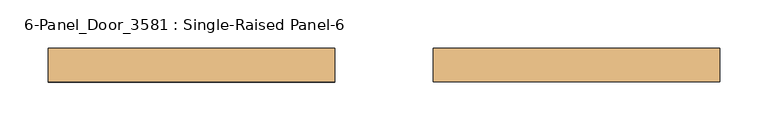
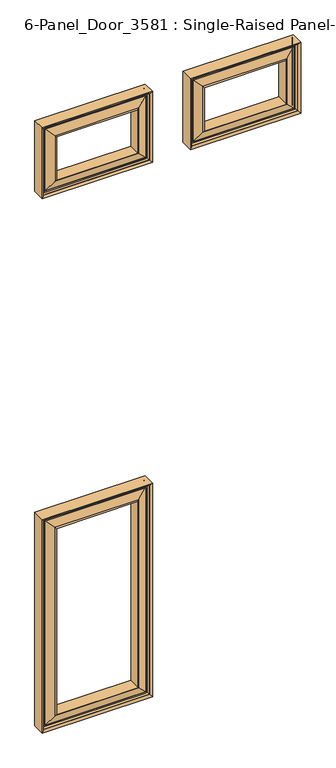
"""IFC4 building model written with IfcOpenShell, lengths in millimetres: door geometry, 6-Panel_Door_3581 : Single-Raised Panel-6."""

from ifc_helpers import new_model, si_unit, frame, origin, place, context, project, spatial, polyline, ellipse_curve, source, transform, mapped, element, save
from ifc_brep_helpers import plane_surface, cylinder_surface, revolved_surface, advanced_brep


def door_6_panel_door_3581_single_raised_panel_6_0ab2f568(model_context):
    return source(origin(), model_context, "Body", "AdvancedBrep", [
        advanced_brep(
        [(-346.075, 76.0029928, 209.55), (-50.8, 76.0029928, 209.55), (-50.8, 41.4748678, 209.55), (-346.075, 41.4748678, 209.55), (-341.3166359, 71.4389303, 214.3083641), (-55.5583641, 71.4389303, 214.3083641), (-336.55, 68.2639303, 219.075), (-60.325, 68.2639303, 219.075), (-57.15, 71.4389303, 215.9), (-339.725, 71.4389303, 215.9), (-333.375, 66.6613447, 222.25), (-63.5, 66.6613447, 222.25), (-63.5, 68.2639303, 222.25), (-333.375, 68.2639303, 222.25), (-310.8719233, 73.1060696, 244.7530767), (-86.0030767, 73.1060696, 244.7530767), (-307.975, 76.0029928, 247.65), (-88.9, 76.0029928, 247.65), (-307.975, 41.6733053, 247.65), (-88.9, 41.6733053, 247.65), (-310.5938465, 44.2921518, 245.0311535), (-86.2811535, 44.2921518, 245.0311535), (-333.375, 50.8165159, 222.25), (-63.5, 50.8165159, 222.25), (-333.375, 49.2139303, 222.25), (-63.5, 49.2139303, 222.25), (-339.725, 46.0389303, 215.9), (-57.15, 46.0389303, 215.9), (-60.325, 49.2139303, 219.075), (-336.55, 49.2139303, 219.075), (-55.5583641, 46.0389303, 214.3083641), (-341.3166359, 46.0389303, 214.3083641), (-50.8, 76.0029928, 812.8), (-50.8, 41.4748678, 812.8), (-55.5583641, 71.4389303, 808.0416359), (-60.325, 68.2639303, 803.275), (-57.15, 71.4389303, 806.45), (-63.5, 66.6613447, 800.1), (-63.5, 68.2639303, 800.1), (-86.0030767, 73.1060696, 777.5969233), (-88.9, 76.0029928, 774.7), (-88.9, 41.6733053, 774.7), (-86.2811535, 44.2921518, 777.3188465), (-63.5, 50.8165159, 800.1), (-63.5, 49.2139303, 800.1), (-57.15, 46.0389303, 806.45), (-60.325, 49.2139303, 803.275), (-55.5583641, 46.0389303, 808.0416359), (-346.075, 76.0029928, 812.8), (-346.075, 41.4748678, 812.8), (-341.3166359, 71.4389303, 808.0416359), (-336.55, 68.2639303, 803.275), (-339.725, 71.4389303, 806.45), (-333.375, 66.6613447, 800.1), (-333.375, 68.2639303, 800.1), (-310.8719233, 73.1060696, 777.5969233), (-307.975, 76.0029928, 774.7), (-307.975, 41.6733053, 774.7), (-310.5938465, 44.2921518, 777.3188465), (-333.375, 50.8165159, 800.1), (-333.375, 49.2139303, 800.1), (-339.725, 46.0389303, 806.45), (-336.55, 49.2139303, 803.275), (-341.3166359, 46.0389303, 808.0416359)],
        [
            (0, 1),
            (1, 2),
            (2, 3),
            (3, 0),
            (4, 5),
            (5, 1, ellipse_curve(frame((-50.8, 71.2404928, 209.55), z_axis=(-0.7071067811865481, 0.0, -0.7071067811865469), x_axis=(-0.7071067811865469, 0.0, 0.707106781186548)), 6.7351921, 4.7625)),
            (0, 4, ellipse_curve(frame((-346.075, 71.2404928, 209.55), z_axis=(0.7071067811865475, 0.0, -0.7071067811865476), x_axis=(-0.7071067811865475, 0.0, -0.7071067811865475)), 6.7351921, 4.7625)),
            (6, 7),
            (7, 8, ellipse_curve(frame((-60.325, 71.4389303, 219.075), z_axis=(0.7071067811865481, 0.0, 0.7071067811865469), x_axis=(0.7071067811865469, 0.0, -0.707106781186548)), 4.4901281, 3.175)),
            (8, 9),
            (9, 6, ellipse_curve(frame((-336.55, 71.4389303, 219.075), z_axis=(-0.7071067811865475, 0.0, 0.7071067811865476), x_axis=(0.7071067811865475, 0.0, 0.7071067811865475)), 4.4901281, 3.175)),
            (10, 11),
            (11, 12),
            (12, 13),
            (13, 10),
            (14, 15),
            (15, 11),
            (10, 14),
            (16, 17),
            (17, 15),
            (14, 16),
            (18, 19),
            (19, 17),
            (16, 18),
            (20, 21),
            (21, 19),
            (18, 20),
            (22, 23),
            (23, 21),
            (20, 22),
            (24, 25),
            (25, 23),
            (22, 24),
            (26, 27),
            (27, 28, ellipse_curve(frame((-60.325, 46.0389303, 219.075), z_axis=(0.7071067811865481, 0.0, 0.7071067811865469), x_axis=(0.7071067811865469, 0.0, -0.707106781186548)), 4.4901281, 3.175)),
            (28, 29),
            (29, 26, ellipse_curve(frame((-336.55, 46.0389303, 219.075), z_axis=(-0.7071067811865475, 0.0, 0.7071067811865476), x_axis=(0.7071067811865475, 0.0, 0.7071067811865475)), 4.4901281, 3.175)),
            (2, 30, ellipse_curve(frame((-50.8, 46.2373678, 209.55), z_axis=(-0.7071067811865481, 0.0, -0.7071067811865469), x_axis=(-0.7071067811865469, 0.0, 0.707106781186548)), 6.7351921, 4.7625)),
            (30, 31),
            (31, 3, ellipse_curve(frame((-346.075, 46.2373678, 209.55), z_axis=(0.7071067811865475, 0.0, -0.7071067811865476), x_axis=(-0.7071067811865475, 0.0, -0.7071067811865475)), 6.7351921, 4.7625)),
            (1, 32),
            (32, 33),
            (33, 2),
            (5, 34),
            (34, 32, ellipse_curve(frame((-50.8, 71.2404928, 812.8), z_axis=(0.7071067811865469, 0.0, -0.7071067811865481), x_axis=(-0.707106781186548, 0.0, -0.7071067811865469)), 6.7351921, 4.7625)),
            (7, 35),
            (35, 36, ellipse_curve(frame((-60.325, 71.4389303, 803.275), z_axis=(-0.7071067811865469, 0.0, 0.7071067811865481), x_axis=(0.707106781186548, 0.0, 0.7071067811865469)), 4.4901281, 3.175)),
            (36, 8),
            (11, 37),
            (37, 38),
            (38, 12),
            (15, 39),
            (39, 37),
            (17, 40),
            (40, 39),
            (19, 41),
            (41, 40),
            (21, 42),
            (42, 41),
            (23, 43),
            (43, 42),
            (25, 44),
            (44, 43),
            (27, 45),
            (45, 46, ellipse_curve(frame((-60.325, 46.0389303, 803.275), z_axis=(-0.7071067811865469, 0.0, 0.7071067811865481), x_axis=(0.707106781186548, 0.0, 0.7071067811865469)), 4.4901281, 3.175)),
            (46, 28),
            (33, 47, ellipse_curve(frame((-50.8, 46.2373678, 812.8), z_axis=(0.7071067811865469, 0.0, -0.7071067811865481), x_axis=(-0.707106781186548, 0.0, -0.7071067811865469)), 6.7351921, 4.7625)),
            (47, 30),
            (32, 48),
            (48, 49),
            (49, 33),
            (34, 50),
            (50, 48, ellipse_curve(frame((-346.075, 71.2404928, 812.8), z_axis=(0.7071067811865476, 0.0, 0.7071067811865475), x_axis=(0.7071067811865475, 0.0, -0.7071067811865475)), 6.7351921, 4.7625)),
            (35, 51),
            (51, 52, ellipse_curve(frame((-336.55, 71.4389303, 803.275), z_axis=(-0.7071067811865476, 0.0, -0.7071067811865475), x_axis=(-0.7071067811865475, 0.0, 0.7071067811865475)), 4.4901281, 3.175)),
            (52, 36),
            (37, 53),
            (53, 54),
            (54, 38),
            (39, 55),
            (55, 53),
            (40, 56),
            (56, 55),
            (41, 57),
            (57, 56),
            (42, 58),
            (58, 57),
            (43, 59),
            (59, 58),
            (44, 60),
            (60, 59),
            (45, 61),
            (61, 62, ellipse_curve(frame((-336.55, 46.0389303, 803.275), z_axis=(-0.7071067811865476, 0.0, -0.7071067811865475), x_axis=(-0.7071067811865475, 0.0, 0.7071067811865475)), 4.4901281, 3.175)),
            (62, 46),
            (49, 63, ellipse_curve(frame((-346.075, 46.2373678, 812.8), z_axis=(0.7071067811865476, 0.0, 0.7071067811865475), x_axis=(0.7071067811865475, 0.0, -0.7071067811865475)), 6.7351921, 4.7625)),
            (63, 47),
            (48, 0),
            (3, 49),
            (50, 4),
            (52, 9),
            (51, 6),
            (54, 13),
            (53, 10),
            (55, 14),
            (56, 16),
            (57, 18),
            (58, 20),
            (59, 22),
            (60, 24),
            (62, 29),
            (61, 26),
            (63, 31),
        ],
        [
            plane_surface(frame((-346.075, 41.4748678, 209.55), z_axis=(0.0, 0.0, -1.0), x_axis=(1.0, 0.0, 0.0))),
            cylinder_surface(frame((-346.075, 71.2404928, 209.55), z_axis=(-1.0, 0.0, 0.0), x_axis=(0.0, 1.0, 0.0)), 4.7625),
            revolved_surface(polyline([(-57.149999972093724, 74.61393029999999, 219.075), (-339.7250000279063, 74.61393029999999, 219.075)]), (-346.075, 71.4389303, 219.075), (1.0, 0.0, 0.0)),
            plane_surface(frame((-333.375, 68.2639303, 222.25), z_axis=(0.0, 0.0, 1.0), x_axis=(1.0, 0.0, 0.0))),
            plane_surface(frame((-333.375, 66.6613447, 222.25), z_axis=(0.0, 0.9613513906237952, -0.2753243609739161), x_axis=(1.0, 0.0, 0.0))),
            plane_surface(frame((-310.8719233, 73.1060696, 244.7530767), z_axis=(0.0, 0.7071067811921127, -0.7071067811809825), x_axis=(1.0, 0.0, 0.0))),
            plane_surface(frame((-307.975, 76.0029928, 247.65), z_axis=(0.0, 0.0, 1.0), x_axis=(1.0, 0.0, 0.0))),
            plane_surface(frame((-307.975, 41.6733053, 247.65), z_axis=(0.0, -0.7071067811865441, -0.707106781186551), x_axis=(1.0, 0.0, 0.0))),
            plane_surface(frame((-310.5938465, 44.2921518, 245.0311535), z_axis=(0.0, -0.9613513906239465, -0.2753243609733877), x_axis=(1.0, 0.0, 0.0))),
            plane_surface(frame((-333.375, 50.8165159, 222.25), z_axis=(0.0, 0.0, 1.0), x_axis=(1.0, 0.0, 0.0))),
            revolved_surface(polyline([(-57.149999972093724, 49.213930299999994, 219.075), (-339.7250000279063, 49.213930299999994, 219.075)]), (-346.075, 46.0389303, 219.075), (1.0, 0.0, 0.0)),
            cylinder_surface(frame((-346.075, 46.2373678, 209.55), z_axis=(-1.0, 0.0, 0.0), x_axis=(0.0, 1.0, 0.0)), 4.7625),
            plane_surface(frame((-50.8, 41.4748678, 209.55), z_axis=(1.0, 0.0, 0.0), x_axis=(0.0, 0.0, 1.0))),
            cylinder_surface(frame((-50.8, 71.2404928, 209.55), z_axis=(0.0, 0.0, -1.0), x_axis=(0.0, 1.0, 0.0)), 4.7625),
            revolved_surface(polyline([(-60.325, 74.61393029999999, 806.4500000279063), (-60.325, 74.61393029999999, 215.89999997209372)]), (-60.325, 71.4389303, 209.55), (0.0, 0.0, 1.0)),
            plane_surface(frame((-63.5, 68.2639303, 222.25), z_axis=(-1.0, 0.0, 0.0), x_axis=(0.0, 0.0, 1.0))),
            plane_surface(frame((-63.5, 66.6613447, 222.25), z_axis=(0.2753243609739161, 0.9613513906237952, 0.0), x_axis=(0.0, 0.0, 1.0))),
            plane_surface(frame((-86.0030767, 73.1060696, 244.7530767), z_axis=(0.7071067811809825, 0.7071067811921127, 0.0), x_axis=(0.0, 0.0, 1.0))),
            plane_surface(frame((-88.9, 76.0029928, 247.65), z_axis=(-1.0, 0.0, 0.0), x_axis=(0.0, 0.0, 1.0))),
            plane_surface(frame((-88.9, 41.6733053, 247.65), z_axis=(0.707106781186551, -0.7071067811865441, 0.0), x_axis=(0.0, 0.0, 1.0))),
            plane_surface(frame((-86.2811535, 44.2921518, 245.0311535), z_axis=(0.2753243609733877, -0.9613513906239465, 0.0), x_axis=(0.0, 0.0, 1.0))),
            plane_surface(frame((-63.5, 50.8165159, 222.25), z_axis=(-1.0, 0.0, 0.0), x_axis=(0.0, 0.0, 1.0))),
            revolved_surface(polyline([(-60.325, 49.213930299999994, 806.4500000279063), (-60.325, 49.213930299999994, 215.89999997209372)]), (-60.325, 46.0389303, 209.55), (0.0, 0.0, 1.0)),
            cylinder_surface(frame((-50.8, 46.2373678, 209.55), z_axis=(0.0, 0.0, -1.0), x_axis=(0.0, 1.0, 0.0)), 4.7625),
            plane_surface(frame((-50.8, 41.4748678, 812.8), z_axis=(0.0, 0.0, 1.0), x_axis=(-1.0, 0.0, 0.0))),
            cylinder_surface(frame((-50.8, 71.2404928, 812.8), z_axis=(1.0, 0.0, 0.0), x_axis=(0.0, 1.0, 0.0)), 4.7625),
            revolved_surface(polyline([(-339.7250000279063, 74.61393029999999, 803.275), (-57.14999997209373, 74.61393029999999, 803.275)]), (-50.8, 71.4389303, 803.275), (-1.0, 0.0, 0.0)),
            plane_surface(frame((-63.5, 68.2639303, 800.1), z_axis=(0.0, 0.0, -1.0), x_axis=(-1.0, 0.0, 0.0))),
            plane_surface(frame((-63.5, 66.6613447, 800.1), z_axis=(0.0, 0.9613513906237952, 0.2753243609739161), x_axis=(-1.0, 0.0, 0.0))),
            plane_surface(frame((-86.0030767, 73.1060696, 777.5969233), z_axis=(0.0, 0.7071067811921127, 0.7071067811809825), x_axis=(-1.0, 0.0, 0.0))),
            plane_surface(frame((-88.9, 76.0029928, 774.7), z_axis=(0.0, 0.0, -1.0), x_axis=(-1.0, 0.0, 0.0))),
            plane_surface(frame((-88.9, 41.6733053, 774.7), z_axis=(0.0, -0.7071067811865441, 0.707106781186551), x_axis=(-1.0, 0.0, 0.0))),
            plane_surface(frame((-86.2811535, 44.2921518, 777.3188465), z_axis=(0.0, -0.9613513906239465, 0.2753243609733877), x_axis=(-1.0, 0.0, 0.0))),
            plane_surface(frame((-63.5, 50.8165159, 800.1), z_axis=(0.0, 0.0, -1.0), x_axis=(-1.0, 0.0, 0.0))),
            revolved_surface(polyline([(-339.7250000279063, 49.213930299999994, 803.275), (-57.14999997209373, 49.213930299999994, 803.275)]), (-50.8, 46.0389303, 803.275), (-1.0, 0.0, 0.0)),
            cylinder_surface(frame((-50.8, 46.2373678, 812.8), z_axis=(1.0, 0.0, 0.0), x_axis=(0.0, 1.0, 0.0)), 4.7625),
            plane_surface(frame((-346.075, 41.4748678, 812.8), z_axis=(-1.0, 0.0, 0.0), x_axis=(0.0, 0.0, -1.0))),
            cylinder_surface(frame((-346.075, 71.2404928, 812.8), z_axis=(0.0, 0.0, 1.0), x_axis=(0.0, 1.0, 0.0)), 4.7625),
            plane_surface(frame((-341.3166359, 71.4389303, 808.0416359), z_axis=(0.0, 1.0, 0.0), x_axis=(0.0, 0.0, -1.0))),
            revolved_surface(polyline([(-336.55, 74.61393029999999, 215.89999997209372), (-336.55, 74.61393029999999, 806.4500000279063)]), (-336.55, 71.4389303, 812.8), (0.0, 0.0, -1.0)),
            plane_surface(frame((-336.55, 68.2639303, 803.275), z_axis=(0.0, 1.0, 0.0), x_axis=(0.0, 0.0, -1.0))),
            plane_surface(frame((-333.375, 68.2639303, 800.1), z_axis=(1.0, 0.0, 0.0), x_axis=(0.0, 0.0, -1.0))),
            plane_surface(frame((-333.375, 66.6613447, 800.1), z_axis=(-0.2753243609739161, 0.9613513906237952, 0.0), x_axis=(0.0, 0.0, -1.0))),
            plane_surface(frame((-310.8719233, 73.1060696, 777.5969233), z_axis=(-0.7071067811809825, 0.7071067811921127, 0.0), x_axis=(0.0, 0.0, -1.0))),
            plane_surface(frame((-307.975, 76.0029928, 774.7), z_axis=(1.0, 0.0, 0.0), x_axis=(0.0, 0.0, -1.0))),
            plane_surface(frame((-307.975, 41.6733053, 774.7), z_axis=(-0.707106781186551, -0.7071067811865441, 0.0), x_axis=(0.0, 0.0, -1.0))),
            plane_surface(frame((-310.5938465, 44.2921518, 777.3188465), z_axis=(-0.2753243609733877, -0.9613513906239465, 0.0), x_axis=(0.0, 0.0, -1.0))),
            plane_surface(frame((-333.375, 50.8165159, 800.1), z_axis=(1.0, 0.0, 0.0), x_axis=(0.0, 0.0, -1.0))),
            plane_surface(frame((-333.375, 49.2139303, 800.1), z_axis=(0.0, -1.0, 0.0), x_axis=(0.0, 0.0, -1.0))),
            revolved_surface(polyline([(-336.55, 49.213930299999994, 215.89999997209372), (-336.55, 49.213930299999994, 806.4500000279063)]), (-336.55, 46.0389303, 812.8), (0.0, 0.0, -1.0)),
            plane_surface(frame((-339.725, 46.0389303, 806.45), z_axis=(0.0, -1.0, 0.0), x_axis=(0.0, 0.0, -1.0))),
            cylinder_surface(frame((-346.075, 46.2373678, 812.8), z_axis=(0.0, 0.0, 1.0), x_axis=(0.0, 1.0, 0.0)), 4.7625),
        ],
        [
            (0, [[1, 2, 3, 4]]),
            (1, [[5, 6, -1, 7]]),
            (2, [[8, 9, 10, 11]]),
            (3, [[12, 13, 14, 15]]),
            (4, [[16, 17, -12, 18]]),
            (5, [[19, 20, -16, 21]]),
            (6, [[22, 23, -19, 24]]),
            (7, [[25, 26, -22, 27]]),
            (8, [[28, 29, -25, 30]]),
            (9, [[31, 32, -28, 33]]),
            (10, [[34, 35, 36, 37]]),
            (11, [[-3, 38, 39, 40]]),
            (12, [[41, 42, 43, -2]]),
            (13, [[44, 45, -41, -6]]),
            (14, [[46, 47, 48, -9]]),
            (15, [[49, 50, 51, -13]]),
            (16, [[52, 53, -49, -17]]),
            (17, [[54, 55, -52, -20]]),
            (18, [[56, 57, -54, -23]]),
            (19, [[58, 59, -56, -26]]),
            (20, [[60, 61, -58, -29]]),
            (21, [[62, 63, -60, -32]]),
            (22, [[64, 65, 66, -35]]),
            (23, [[-43, 67, 68, -38]]),
            (24, [[69, 70, 71, -42]]),
            (25, [[72, 73, -69, -45]]),
            (26, [[74, 75, 76, -47]]),
            (27, [[77, 78, 79, -50]]),
            (28, [[80, 81, -77, -53]]),
            (29, [[82, 83, -80, -55]]),
            (30, [[84, 85, -82, -57]]),
            (31, [[86, 87, -84, -59]]),
            (32, [[88, 89, -86, -61]]),
            (33, [[90, 91, -88, -63]]),
            (34, [[92, 93, 94, -65]]),
            (35, [[-71, 95, 96, -67]]),
            (36, [[97, -4, 98, -70]]),
            (37, [[99, -7, -97, -73]]),
            (38, [[-5, -99, -72, -44], [-10, -48, -76, 100]]),
            (39, [[101, -11, -100, -75]]),
            (40, [[-8, -101, -74, -46], [-14, -51, -79, 102]]),
            (41, [[103, -15, -102, -78]]),
            (42, [[104, -18, -103, -81]]),
            (43, [[105, -21, -104, -83]]),
            (44, [[106, -24, -105, -85]]),
            (45, [[107, -27, -106, -87]]),
            (46, [[108, -30, -107, -89]]),
            (47, [[109, -33, -108, -91]]),
            (48, [[-36, -66, -94, 110], [-31, -109, -90, -62]]),
            (49, [[111, -37, -110, -93]]),
            (50, [[-39, -68, -96, 112], [-34, -111, -92, -64]]),
            (51, [[-98, -40, -112, -95]]),
        ],
    ),
        advanced_brep(
        [(50.8, 76.0029928, 1720.85), (346.075, 76.0029928, 1720.85), (346.075, 41.4748678, 1720.85), (50.8, 41.4748678, 1720.85), (55.5583641, 71.4389303, 1725.6083641), (341.3166359, 71.4389303, 1725.6083641), (60.325, 68.2639303, 1730.375), (336.55, 68.2639303, 1730.375), (339.725, 71.4389303, 1727.2), (57.15, 71.4389303, 1727.2), (63.5, 66.6613447, 1733.55), (333.375, 66.6613447, 1733.55), (333.375, 68.2639303, 1733.55), (63.5, 68.2639303, 1733.55), (86.0030767, 73.1060696, 1756.0530767), (310.8719233, 73.1060696, 1756.0530767), (88.9, 76.0029928, 1758.95), (307.975, 76.0029928, 1758.95), (88.9, 41.6733053, 1758.95), (307.975, 41.6733053, 1758.95), (86.2811535, 44.2921518, 1756.3311535), (310.5938465, 44.2921518, 1756.3311535), (63.5, 50.8165159, 1733.55), (333.375, 50.8165159, 1733.55), (63.5, 49.2139303, 1733.55), (333.375, 49.2139303, 1733.55), (57.15, 46.0389303, 1727.2), (339.725, 46.0389303, 1727.2), (336.55, 49.2139303, 1730.375), (60.325, 49.2139303, 1730.375), (341.3166359, 46.0389303, 1725.6083641), (55.5583641, 46.0389303, 1725.6083641), (346.075, 76.0029928, 1920.875), (346.075, 41.4748678, 1920.875), (341.3166359, 71.4389303, 1916.1166359), (336.55, 68.2639303, 1911.35), (339.725, 71.4389303, 1914.525), (333.375, 66.6613447, 1908.175), (333.375, 68.2639303, 1908.175), (310.8719233, 73.1060696, 1885.6719233), (307.975, 76.0029928, 1882.775), (307.975, 41.6733053, 1882.775), (310.5938465, 44.2921518, 1885.3938465), (333.375, 50.8165159, 1908.175), (333.375, 49.2139303, 1908.175), (339.725, 46.0389303, 1914.525), (336.55, 49.2139303, 1911.35), (341.3166359, 46.0389303, 1916.1166359), (50.8, 76.0029928, 1920.875), (50.8, 41.4748678, 1920.875), (55.5583641, 71.4389303, 1916.1166359), (60.325, 68.2639303, 1911.35), (57.15, 71.4389303, 1914.525), (63.5, 66.6613447, 1908.175), (63.5, 68.2639303, 1908.175), (86.0030767, 73.1060696, 1885.6719233), (88.9, 76.0029928, 1882.775), (88.9, 41.6733053, 1882.775), (86.2811535, 44.2921518, 1885.3938465), (63.5, 50.8165159, 1908.175), (63.5, 49.2139303, 1908.175), (57.15, 46.0389303, 1914.525), (60.325, 49.2139303, 1911.35), (55.5583641, 46.0389303, 1916.1166359)],
        [
            (0, 1),
            (1, 2),
            (2, 3),
            (3, 0),
            (4, 5),
            (5, 1, ellipse_curve(frame((346.075, 71.2404928, 1720.85), z_axis=(-0.7071067811865475, 0.0, -0.7071067811865475), x_axis=(-0.7071067811865476, 0.0, 0.7071067811865474)), 6.7351921, 4.7625)),
            (0, 4, ellipse_curve(frame((50.8, 71.2404928, 1720.85), z_axis=(0.7071067811865475, 0.0, -0.7071067811865475), x_axis=(-0.7071067811865476, 0.0, -0.7071067811865474)), 6.7351921, 4.7625)),
            (6, 7),
            (7, 8, ellipse_curve(frame((336.55, 71.4389303, 1730.375), z_axis=(0.7071067811865475, 0.0, 0.7071067811865475), x_axis=(0.7071067811865476, 0.0, -0.7071067811865474)), 4.4901281, 3.175)),
            (8, 9),
            (9, 6, ellipse_curve(frame((60.325, 71.4389303, 1730.375), z_axis=(-0.7071067811865475, 0.0, 0.7071067811865475), x_axis=(0.7071067811865476, 0.0, 0.7071067811865474)), 4.4901281, 3.175)),
            (10, 11),
            (11, 12),
            (12, 13),
            (13, 10),
            (14, 15),
            (15, 11),
            (10, 14),
            (16, 17),
            (17, 15),
            (14, 16),
            (18, 19),
            (19, 17),
            (16, 18),
            (20, 21),
            (21, 19),
            (18, 20),
            (22, 23),
            (23, 21),
            (20, 22),
            (24, 25),
            (25, 23),
            (22, 24),
            (26, 27),
            (27, 28, ellipse_curve(frame((336.55, 46.0389303, 1730.375), z_axis=(0.7071067811865475, 0.0, 0.7071067811865475), x_axis=(0.7071067811865476, 0.0, -0.7071067811865474)), 4.4901281, 3.175)),
            (28, 29),
            (29, 26, ellipse_curve(frame((60.325, 46.0389303, 1730.375), z_axis=(-0.7071067811865475, 0.0, 0.7071067811865475), x_axis=(0.7071067811865476, 0.0, 0.7071067811865474)), 4.4901281, 3.175)),
            (2, 30, ellipse_curve(frame((346.075, 46.2373678, 1720.85), z_axis=(-0.7071067811865475, 0.0, -0.7071067811865475), x_axis=(-0.7071067811865476, 0.0, 0.7071067811865474)), 6.7351921, 4.7625)),
            (30, 31),
            (31, 3, ellipse_curve(frame((50.8, 46.2373678, 1720.85), z_axis=(0.7071067811865475, 0.0, -0.7071067811865475), x_axis=(-0.7071067811865476, 0.0, -0.7071067811865474)), 6.7351921, 4.7625)),
            (1, 32),
            (32, 33),
            (33, 2),
            (5, 34),
            (34, 32, ellipse_curve(frame((346.075, 71.2404928, 1920.875), z_axis=(0.7071067811865475, 0.0, -0.7071067811865475), x_axis=(-0.7071067811865474, 0.0, -0.7071067811865476)), 6.7351921, 4.7625)),
            (7, 35),
            (35, 36, ellipse_curve(frame((336.55, 71.4389303, 1911.35), z_axis=(-0.7071067811865475, 0.0, 0.7071067811865475), x_axis=(0.7071067811865474, 0.0, 0.7071067811865476)), 4.4901281, 3.175)),
            (36, 8),
            (11, 37),
            (37, 38),
            (38, 12),
            (15, 39),
            (39, 37),
            (17, 40),
            (40, 39),
            (19, 41),
            (41, 40),
            (21, 42),
            (42, 41),
            (23, 43),
            (43, 42),
            (25, 44),
            (44, 43),
            (27, 45),
            (45, 46, ellipse_curve(frame((336.55, 46.0389303, 1911.35), z_axis=(-0.7071067811865475, 0.0, 0.7071067811865475), x_axis=(0.7071067811865474, 0.0, 0.7071067811865476)), 4.4901281, 3.175)),
            (46, 28),
            (33, 47, ellipse_curve(frame((346.075, 46.2373678, 1920.875), z_axis=(0.7071067811865475, 0.0, -0.7071067811865475), x_axis=(-0.7071067811865474, 0.0, -0.7071067811865476)), 6.7351921, 4.7625)),
            (47, 30),
            (32, 48),
            (48, 49),
            (49, 33),
            (34, 50),
            (50, 48, ellipse_curve(frame((50.8, 71.2404928, 1920.875), z_axis=(0.7071067811865475, 0.0, 0.7071067811865475), x_axis=(0.7071067811865476, 0.0, -0.7071067811865474)), 6.7351921, 4.7625)),
            (35, 51),
            (51, 52, ellipse_curve(frame((60.325, 71.4389303, 1911.35), z_axis=(-0.7071067811865475, 0.0, -0.7071067811865475), x_axis=(-0.7071067811865476, 0.0, 0.7071067811865474)), 4.4901281, 3.175)),
            (52, 36),
            (37, 53),
            (53, 54),
            (54, 38),
            (39, 55),
            (55, 53),
            (40, 56),
            (56, 55),
            (41, 57),
            (57, 56),
            (42, 58),
            (58, 57),
            (43, 59),
            (59, 58),
            (44, 60),
            (60, 59),
            (45, 61),
            (61, 62, ellipse_curve(frame((60.325, 46.0389303, 1911.35), z_axis=(-0.7071067811865475, 0.0, -0.7071067811865475), x_axis=(-0.7071067811865476, 0.0, 0.7071067811865474)), 4.4901281, 3.175)),
            (62, 46),
            (49, 63, ellipse_curve(frame((50.8, 46.2373678, 1920.875), z_axis=(0.7071067811865475, 0.0, 0.7071067811865475), x_axis=(0.7071067811865476, 0.0, -0.7071067811865474)), 6.7351921, 4.7625)),
            (63, 47),
            (48, 0),
            (3, 49),
            (50, 4),
            (52, 9),
            (51, 6),
            (54, 13),
            (53, 10),
            (55, 14),
            (56, 16),
            (57, 18),
            (58, 20),
            (59, 22),
            (60, 24),
            (62, 29),
            (61, 26),
            (63, 31),
        ],
        [
            plane_surface(frame((50.8, 41.4748678, 1720.85), z_axis=(0.0, 0.0, -1.0), x_axis=(1.0, 0.0, 0.0))),
            cylinder_surface(frame((50.8, 71.2404928, 1720.85), z_axis=(-1.0, 0.0, 0.0), x_axis=(0.0, 1.0, 0.0)), 4.7625),
            revolved_surface(polyline([(339.7250000279063, 74.61393029999999, 1730.375), (57.14999997209374, 74.61393029999999, 1730.375)]), (50.8, 71.4389303, 1730.375), (1.0, 0.0, 0.0)),
            plane_surface(frame((63.5, 68.2639303, 1733.55), z_axis=(0.0, 0.0, 1.0), x_axis=(1.0, 0.0, 0.0))),
            plane_surface(frame((63.5, 66.6613447, 1733.55), z_axis=(0.0, 0.9613513906239444, -0.27532436097339497), x_axis=(1.0, 0.0, 0.0))),
            plane_surface(frame((86.0030767, 73.1060696, 1756.0530767), z_axis=(0.0, 0.7071067811865517, -0.7071067811865435), x_axis=(1.0, 0.0, 0.0))),
            plane_surface(frame((88.9, 76.0029928, 1758.95), z_axis=(0.0, 0.0, 1.0), x_axis=(1.0, 0.0, 0.0))),
            plane_surface(frame((88.9, 41.6733053, 1758.95), z_axis=(0.0, -0.7071067811865452, -0.7071067811865498), x_axis=(1.0, 0.0, 0.0))),
            plane_surface(frame((86.2811535, 44.2921518, 1756.3311535), z_axis=(0.0, -0.9613513906239086, -0.27532436097352025), x_axis=(1.0, 0.0, 0.0))),
            plane_surface(frame((63.5, 50.8165159, 1733.55), z_axis=(0.0, 0.0, 1.0), x_axis=(1.0, 0.0, 0.0))),
            revolved_surface(polyline([(339.7250000279063, 49.213930299999994, 1730.375), (57.14999997209374, 49.213930299999994, 1730.375)]), (50.8, 46.0389303, 1730.375), (1.0, 0.0, 0.0)),
            cylinder_surface(frame((50.8, 46.2373678, 1720.85), z_axis=(-1.0, 0.0, 0.0), x_axis=(0.0, 1.0, 0.0)), 4.7625),
            plane_surface(frame((346.075, 41.4748678, 1720.85), z_axis=(1.0, 0.0, 0.0), x_axis=(0.0, 0.0, 1.0))),
            cylinder_surface(frame((346.075, 71.2404928, 1720.85), z_axis=(0.0, 0.0, -1.0), x_axis=(0.0, 1.0, 0.0)), 4.7625),
            revolved_surface(polyline([(336.55, 74.61393029999999, 1914.5250000279061), (336.55, 74.61393029999999, 1727.1999999720938)]), (336.55, 71.4389303, 1720.85), (0.0, 0.0, 1.0)),
            plane_surface(frame((333.375, 68.2639303, 1733.55), z_axis=(-1.0, 0.0, 0.0), x_axis=(0.0, 0.0, 1.0))),
            plane_surface(frame((333.375, 66.6613447, 1733.55), z_axis=(0.27532436097339497, 0.9613513906239444, 0.0), x_axis=(0.0, 0.0, 1.0))),
            plane_surface(frame((310.8719233, 73.1060696, 1756.0530767), z_axis=(0.7071067811865435, 0.7071067811865517, 0.0), x_axis=(0.0, 0.0, 1.0))),
            plane_surface(frame((307.975, 76.0029928, 1758.95), z_axis=(-1.0, 0.0, 0.0), x_axis=(0.0, 0.0, 1.0))),
            plane_surface(frame((307.975, 41.6733053, 1758.95), z_axis=(0.7071067811865498, -0.7071067811865452, 0.0), x_axis=(0.0, 0.0, 1.0))),
            plane_surface(frame((310.5938465, 44.2921518, 1756.3311535), z_axis=(0.27532436097352025, -0.9613513906239086, 0.0), x_axis=(0.0, 0.0, 1.0))),
            plane_surface(frame((333.375, 50.8165159, 1733.55), z_axis=(-1.0, 0.0, 0.0), x_axis=(0.0, 0.0, 1.0))),
            revolved_surface(polyline([(336.55, 49.213930299999994, 1914.5250000279061), (336.55, 49.213930299999994, 1727.1999999720938)]), (336.55, 46.0389303, 1720.85), (0.0, 0.0, 1.0)),
            cylinder_surface(frame((346.075, 46.2373678, 1720.85), z_axis=(0.0, 0.0, -1.0), x_axis=(0.0, 1.0, 0.0)), 4.7625),
            plane_surface(frame((346.075, 41.4748678, 1920.875), z_axis=(0.0, 0.0, 1.0), x_axis=(-1.0, 0.0, 0.0))),
            cylinder_surface(frame((346.075, 71.2404928, 1920.875), z_axis=(1.0, 0.0, 0.0), x_axis=(0.0, 1.0, 0.0)), 4.7625),
            revolved_surface(polyline([(57.149999972093724, 74.61393029999999, 1911.35), (339.7250000279063, 74.61393029999999, 1911.35)]), (346.075, 71.4389303, 1911.35), (-1.0, 0.0, 0.0)),
            plane_surface(frame((333.375, 68.2639303, 1908.175), z_axis=(0.0, 0.0, -1.0), x_axis=(-1.0, 0.0, 0.0))),
            plane_surface(frame((333.375, 66.6613447, 1908.175), z_axis=(0.0, 0.9613513906239444, 0.27532436097339497), x_axis=(-1.0, 0.0, 0.0))),
            plane_surface(frame((310.8719233, 73.1060696, 1885.6719233), z_axis=(0.0, 0.7071067811865517, 0.7071067811865435), x_axis=(-1.0, 0.0, 0.0))),
            plane_surface(frame((307.975, 76.0029928, 1882.775), z_axis=(0.0, 0.0, -1.0), x_axis=(-1.0, 0.0, 0.0))),
            plane_surface(frame((307.975, 41.6733053, 1882.775), z_axis=(0.0, -0.7071067811865452, 0.7071067811865498), x_axis=(-1.0, 0.0, 0.0))),
            plane_surface(frame((310.5938465, 44.2921518, 1885.3938465), z_axis=(0.0, -0.9613513906239086, 0.27532436097352025), x_axis=(-1.0, 0.0, 0.0))),
            plane_surface(frame((333.375, 50.8165159, 1908.175), z_axis=(0.0, 0.0, -1.0), x_axis=(-1.0, 0.0, 0.0))),
            revolved_surface(polyline([(57.149999972093724, 49.213930299999994, 1911.35), (339.7250000279063, 49.213930299999994, 1911.35)]), (346.075, 46.0389303, 1911.35), (-1.0, 0.0, 0.0)),
            cylinder_surface(frame((346.075, 46.2373678, 1920.875), z_axis=(1.0, 0.0, 0.0), x_axis=(0.0, 1.0, 0.0)), 4.7625),
            plane_surface(frame((50.8, 41.4748678, 1920.875), z_axis=(-1.0, 0.0, 0.0), x_axis=(0.0, 0.0, -1.0))),
            cylinder_surface(frame((50.8, 71.2404928, 1920.875), z_axis=(0.0, 0.0, 1.0), x_axis=(0.0, 1.0, 0.0)), 4.7625),
            plane_surface(frame((55.5583641, 71.4389303, 1916.1166359), z_axis=(0.0, 1.0, 0.0), x_axis=(0.0, 0.0, -1.0))),
            revolved_surface(polyline([(60.325, 74.61393029999999, 1727.1999999720938), (60.325, 74.61393029999999, 1914.5250000279061)]), (60.325, 71.4389303, 1920.875), (0.0, 0.0, -1.0)),
            plane_surface(frame((60.325, 68.2639303, 1911.35), z_axis=(0.0, 1.0, 0.0), x_axis=(0.0, 0.0, -1.0))),
            plane_surface(frame((63.5, 68.2639303, 1908.175), z_axis=(1.0, 0.0, 0.0), x_axis=(0.0, 0.0, -1.0))),
            plane_surface(frame((63.5, 66.6613447, 1908.175), z_axis=(-0.27532436097339497, 0.9613513906239444, 0.0), x_axis=(0.0, 0.0, -1.0))),
            plane_surface(frame((86.0030767, 73.1060696, 1885.6719233), z_axis=(-0.7071067811865435, 0.7071067811865517, 0.0), x_axis=(0.0, 0.0, -1.0))),
            plane_surface(frame((88.9, 76.0029928, 1882.775), z_axis=(1.0, 0.0, 0.0), x_axis=(0.0, 0.0, -1.0))),
            plane_surface(frame((88.9, 41.6733053, 1882.775), z_axis=(-0.7071067811865498, -0.7071067811865452, 0.0), x_axis=(0.0, 0.0, -1.0))),
            plane_surface(frame((86.2811535, 44.2921518, 1885.3938465), z_axis=(-0.27532436097352025, -0.9613513906239086, 0.0), x_axis=(0.0, 0.0, -1.0))),
            plane_surface(frame((63.5, 50.8165159, 1908.175), z_axis=(1.0, 0.0, 0.0), x_axis=(0.0, 0.0, -1.0))),
            plane_surface(frame((63.5, 49.2139303, 1908.175), z_axis=(0.0, -1.0, 0.0), x_axis=(0.0, 0.0, -1.0))),
            revolved_surface(polyline([(60.325, 49.213930299999994, 1727.1999999720938), (60.325, 49.213930299999994, 1914.5250000279061)]), (60.325, 46.0389303, 1920.875), (0.0, 0.0, -1.0)),
            plane_surface(frame((57.15, 46.0389303, 1914.525), z_axis=(0.0, -1.0, 0.0), x_axis=(0.0, 0.0, -1.0))),
            cylinder_surface(frame((50.8, 46.2373678, 1920.875), z_axis=(0.0, 0.0, 1.0), x_axis=(0.0, 1.0, 0.0)), 4.7625),
        ],
        [
            (0, [[1, 2, 3, 4]]),
            (1, [[5, 6, -1, 7]]),
            (2, [[8, 9, 10, 11]]),
            (3, [[12, 13, 14, 15]]),
            (4, [[16, 17, -12, 18]]),
            (5, [[19, 20, -16, 21]]),
            (6, [[22, 23, -19, 24]]),
            (7, [[25, 26, -22, 27]]),
            (8, [[28, 29, -25, 30]]),
            (9, [[31, 32, -28, 33]]),
            (10, [[34, 35, 36, 37]]),
            (11, [[-3, 38, 39, 40]]),
            (12, [[41, 42, 43, -2]]),
            (13, [[44, 45, -41, -6]]),
            (14, [[46, 47, 48, -9]]),
            (15, [[49, 50, 51, -13]]),
            (16, [[52, 53, -49, -17]]),
            (17, [[54, 55, -52, -20]]),
            (18, [[56, 57, -54, -23]]),
            (19, [[58, 59, -56, -26]]),
            (20, [[60, 61, -58, -29]]),
            (21, [[62, 63, -60, -32]]),
            (22, [[64, 65, 66, -35]]),
            (23, [[-43, 67, 68, -38]]),
            (24, [[69, 70, 71, -42]]),
            (25, [[72, 73, -69, -45]]),
            (26, [[74, 75, 76, -47]]),
            (27, [[77, 78, 79, -50]]),
            (28, [[80, 81, -77, -53]]),
            (29, [[82, 83, -80, -55]]),
            (30, [[84, 85, -82, -57]]),
            (31, [[86, 87, -84, -59]]),
            (32, [[88, 89, -86, -61]]),
            (33, [[90, 91, -88, -63]]),
            (34, [[92, 93, 94, -65]]),
            (35, [[-71, 95, 96, -67]]),
            (36, [[97, -4, 98, -70]]),
            (37, [[99, -7, -97, -73]]),
            (38, [[-5, -99, -72, -44], [-10, -48, -76, 100]]),
            (39, [[101, -11, -100, -75]]),
            (40, [[-8, -101, -74, -46], [-14, -51, -79, 102]]),
            (41, [[103, -15, -102, -78]]),
            (42, [[104, -18, -103, -81]]),
            (43, [[105, -21, -104, -83]]),
            (44, [[106, -24, -105, -85]]),
            (45, [[107, -27, -106, -87]]),
            (46, [[108, -30, -107, -89]]),
            (47, [[109, -33, -108, -91]]),
            (48, [[-36, -66, -94, 110], [-31, -109, -90, -62]]),
            (49, [[111, -37, -110, -93]]),
            (50, [[-39, -68, -96, 112], [-34, -111, -92, -64]]),
            (51, [[-98, -40, -112, -95]]),
        ],
    ),
        advanced_brep(
        [(-341.3166359, 46.0389303, 1916.1166359), (-55.5583641, 46.0389303, 1916.1166359), (-50.8, 41.4748678, 1920.875), (-346.075, 41.4748678, 1920.875), (-336.55, 49.2139303, 1911.35), (-60.325, 49.2139303, 1911.35), (-57.15, 46.0389303, 1914.525), (-339.725, 46.0389303, 1914.525), (-333.375, 50.8165159, 1908.175), (-63.5, 50.8165159, 1908.175), (-63.5, 49.2139303, 1908.175), (-333.375, 49.2139303, 1908.175), (-310.5938465, 44.2921518, 1885.3938465), (-86.2811535, 44.2921518, 1885.3938465), (-307.975, 41.6733053, 1882.775), (-88.9, 41.6733053, 1882.775), (-307.975, 76.0029928, 1882.775), (-88.9, 76.0029928, 1882.775), (-310.8719233, 73.1060696, 1885.6719233), (-86.0030767, 73.1060696, 1885.6719233), (-333.375, 66.6613447, 1908.175), (-63.5, 66.6613447, 1908.175), (-333.375, 68.2639303, 1908.175), (-63.5, 68.2639303, 1908.175), (-339.725, 71.4389303, 1914.525), (-57.15, 71.4389303, 1914.525), (-60.325, 68.2639303, 1911.35), (-336.55, 68.2639303, 1911.35), (-346.075, 76.0029928, 1920.875), (-50.8, 76.0029928, 1920.875), (-55.5583641, 71.4389303, 1916.1166359), (-341.3166359, 71.4389303, 1916.1166359), (-55.5583641, 46.0389303, 1725.6083641), (-50.8, 41.4748678, 1720.85), (-60.325, 49.2139303, 1730.375), (-57.15, 46.0389303, 1727.2), (-63.5, 50.8165159, 1733.55), (-63.5, 49.2139303, 1733.55), (-86.2811535, 44.2921518, 1756.3311535), (-88.9, 41.6733053, 1758.95), (-88.9, 76.0029928, 1758.95), (-86.0030767, 73.1060696, 1756.0530767), (-63.5, 66.6613447, 1733.55), (-63.5, 68.2639303, 1733.55), (-57.15, 71.4389303, 1727.2), (-60.325, 68.2639303, 1730.375), (-50.8, 76.0029928, 1720.85), (-55.5583641, 71.4389303, 1725.6083641), (-341.3166359, 46.0389303, 1725.6083641), (-346.075, 41.4748678, 1720.85), (-336.55, 49.2139303, 1730.375), (-339.725, 46.0389303, 1727.2), (-333.375, 50.8165159, 1733.55), (-333.375, 49.2139303, 1733.55), (-310.5938465, 44.2921518, 1756.3311535), (-307.975, 41.6733053, 1758.95), (-307.975, 76.0029928, 1758.95), (-310.8719233, 73.1060696, 1756.0530767), (-333.375, 66.6613447, 1733.55), (-333.375, 68.2639303, 1733.55), (-339.725, 71.4389303, 1727.2), (-336.55, 68.2639303, 1730.375), (-346.075, 76.0029928, 1720.85), (-341.3166359, 71.4389303, 1725.6083641)],
        [
            (0, 1),
            (1, 2, ellipse_curve(frame((-50.8, 46.2373678, 1920.875), z_axis=(-0.7071067811865475, 0.0, 0.7071067811865475), x_axis=(-0.7071067811865476, 0.0, -0.7071067811865474)), 6.7351921, 4.7625)),
            (2, 3),
            (3, 0, ellipse_curve(frame((-346.075, 46.2373678, 1920.875), z_axis=(0.7071067811865475, 0.0, 0.7071067811865475), x_axis=(-0.7071067811865476, 0.0, 0.7071067811865474)), 6.7351921, 4.7625)),
            (4, 5),
            (5, 6, ellipse_curve(frame((-60.325, 46.0389303, 1911.35), z_axis=(0.7071067811865475, 0.0, -0.7071067811865475), x_axis=(0.7071067811865476, 0.0, 0.7071067811865474)), 4.4901281, 3.175)),
            (6, 7),
            (7, 4, ellipse_curve(frame((-336.55, 46.0389303, 1911.35), z_axis=(-0.7071067811865475, 0.0, -0.7071067811865475), x_axis=(0.7071067811865476, 0.0, -0.7071067811865474)), 4.4901281, 3.175)),
            (8, 9),
            (9, 10),
            (10, 11),
            (11, 8),
            (12, 13),
            (13, 9),
            (8, 12),
            (14, 15),
            (15, 13),
            (12, 14),
            (16, 17),
            (17, 15),
            (14, 16),
            (18, 19),
            (19, 17),
            (16, 18),
            (20, 21),
            (21, 19),
            (18, 20),
            (22, 23),
            (23, 21),
            (20, 22),
            (24, 25),
            (25, 26, ellipse_curve(frame((-60.325, 71.4389303, 1911.35), z_axis=(0.7071067811865475, 0.0, -0.7071067811865475), x_axis=(0.7071067811865476, 0.0, 0.7071067811865474)), 4.4901281, 3.175)),
            (26, 27),
            (27, 24, ellipse_curve(frame((-336.55, 71.4389303, 1911.35), z_axis=(-0.7071067811865475, 0.0, -0.7071067811865475), x_axis=(0.7071067811865476, 0.0, -0.7071067811865474)), 4.4901281, 3.175)),
            (28, 29),
            (29, 30, ellipse_curve(frame((-50.8, 71.2404928, 1920.875), z_axis=(-0.7071067811865475, 0.0, 0.7071067811865475), x_axis=(-0.7071067811865476, 0.0, -0.7071067811865474)), 6.7351921, 4.7625)),
            (30, 31),
            (31, 28, ellipse_curve(frame((-346.075, 71.2404928, 1920.875), z_axis=(0.7071067811865475, 0.0, 0.7071067811865475), x_axis=(-0.7071067811865476, 0.0, 0.7071067811865474)), 6.7351921, 4.7625)),
            (2, 29),
            (28, 3),
            (1, 32),
            (32, 33, ellipse_curve(frame((-50.8, 46.2373678, 1720.85), z_axis=(0.7071067811865475, 0.0, 0.7071067811865475), x_axis=(-0.7071067811865474, 0.0, 0.7071067811865476)), 6.7351921, 4.7625)),
            (33, 2),
            (5, 34),
            (34, 35, ellipse_curve(frame((-60.325, 46.0389303, 1730.375), z_axis=(-0.7071067811865475, 0.0, -0.7071067811865475), x_axis=(0.7071067811865474, 0.0, -0.7071067811865476)), 4.4901281, 3.175)),
            (35, 6),
            (9, 36),
            (36, 37),
            (37, 10),
            (13, 38),
            (38, 36),
            (15, 39),
            (39, 38),
            (17, 40),
            (40, 39),
            (19, 41),
            (41, 40),
            (21, 42),
            (42, 41),
            (23, 43),
            (43, 42),
            (25, 44),
            (44, 45, ellipse_curve(frame((-60.325, 71.4389303, 1730.375), z_axis=(-0.7071067811865475, 0.0, -0.7071067811865475), x_axis=(0.7071067811865474, 0.0, -0.7071067811865476)), 4.4901281, 3.175)),
            (45, 26),
            (29, 46),
            (46, 47, ellipse_curve(frame((-50.8, 71.2404928, 1720.85), z_axis=(0.7071067811865475, 0.0, 0.7071067811865475), x_axis=(-0.7071067811865474, 0.0, 0.7071067811865476)), 6.7351921, 4.7625)),
            (47, 30),
            (33, 46),
            (32, 48),
            (48, 49, ellipse_curve(frame((-346.075, 46.2373678, 1720.85), z_axis=(0.7071067811865475, 0.0, -0.7071067811865475), x_axis=(0.7071067811865476, 0.0, 0.7071067811865474)), 6.7351921, 4.7625)),
            (49, 33),
            (34, 50),
            (50, 51, ellipse_curve(frame((-336.55, 46.0389303, 1730.375), z_axis=(-0.7071067811865475, 0.0, 0.7071067811865475), x_axis=(-0.7071067811865476, 0.0, -0.7071067811865474)), 4.4901281, 3.175)),
            (51, 35),
            (36, 52),
            (52, 53),
            (53, 37),
            (38, 54),
            (54, 52),
            (39, 55),
            (55, 54),
            (40, 56),
            (56, 55),
            (41, 57),
            (57, 56),
            (42, 58),
            (58, 57),
            (43, 59),
            (59, 58),
            (44, 60),
            (60, 61, ellipse_curve(frame((-336.55, 71.4389303, 1730.375), z_axis=(-0.7071067811865475, 0.0, 0.7071067811865475), x_axis=(-0.7071067811865476, 0.0, -0.7071067811865474)), 4.4901281, 3.175)),
            (61, 45),
            (46, 62),
            (62, 63, ellipse_curve(frame((-346.075, 71.2404928, 1720.85), z_axis=(0.7071067811865475, 0.0, -0.7071067811865475), x_axis=(0.7071067811865476, 0.0, 0.7071067811865474)), 6.7351921, 4.7625)),
            (63, 47),
            (49, 62),
            (48, 0),
            (3, 49),
            (51, 7),
            (50, 4),
            (53, 11),
            (52, 8),
            (54, 12),
            (55, 14),
            (56, 16),
            (57, 18),
            (58, 20),
            (59, 22),
            (61, 27),
            (60, 24),
            (63, 31),
            (62, 28),
        ],
        [
            cylinder_surface(frame((-346.075, 46.2373678, 1920.875), z_axis=(-1.0, 0.0, 0.0), x_axis=(0.0, 0.0, 1.0)), 4.7625),
            revolved_surface(polyline([(-57.149999972093724, 46.0389303, 1914.5249999999999), (-339.7250000279063, 46.0389303, 1914.5249999999999)]), (-346.075, 46.0389303, 1911.35), (1.0, 0.0, 0.0)),
            plane_surface(frame((-333.375, 49.2139303, 1908.175), z_axis=(0.0, 0.0, -1.0), x_axis=(1.0, 0.0, 0.0))),
            plane_surface(frame((-333.375, 50.8165159, 1908.175), z_axis=(0.0, -0.9613513906239456, 0.2753243609733912), x_axis=(1.0, 0.0, 0.0))),
            plane_surface(frame((-310.5938465, 44.2921518, 1885.3938465), z_axis=(0.0, -0.7071067811865396, 0.7071067811865556), x_axis=(1.0, 0.0, 0.0))),
            plane_surface(frame((-307.975, 41.6733053, 1882.775), z_axis=(0.0, 0.0, -1.0), x_axis=(1.0, 0.0, 0.0))),
            plane_surface(frame((-307.975, 76.0029928, 1882.775), z_axis=(0.0, 0.7071067811865341, 0.707106781186561), x_axis=(1.0, 0.0, 0.0))),
            plane_surface(frame((-310.8719233, 73.1060696, 1885.6719233), z_axis=(0.0, 0.961351390623944, 0.27532436097339663), x_axis=(1.0, 0.0, 0.0))),
            plane_surface(frame((-333.375, 66.6613447, 1908.175), z_axis=(0.0, 0.0, -1.0), x_axis=(1.0, 0.0, 0.0))),
            revolved_surface(polyline([(-57.149999972093724, 71.4389303, 1914.5249999999999), (-339.7250000279063, 71.4389303, 1914.5249999999999)]), (-346.075, 71.4389303, 1911.35), (1.0, 0.0, 0.0)),
            cylinder_surface(frame((-346.075, 71.2404928, 1920.875), z_axis=(-1.0, 0.0, 0.0), x_axis=(0.0, 0.0, 1.0)), 4.7625),
            plane_surface(frame((-346.075, 76.0029928, 1920.875), z_axis=(0.0, 0.0, 1.0), x_axis=(1.0, 0.0, 0.0))),
            cylinder_surface(frame((-50.8, 46.2373678, 1920.875), z_axis=(0.0, 0.0, 1.0), x_axis=(1.0, 0.0, 0.0)), 4.7625),
            revolved_surface(polyline([(-57.150000000000006, 46.0389303, 1727.1999999720938), (-57.150000000000006, 46.0389303, 1914.5250000279061)]), (-60.325, 46.0389303, 1920.875), (0.0, 0.0, -1.0)),
            plane_surface(frame((-63.5, 49.2139303, 1908.175), z_axis=(-1.0, 0.0, 0.0), x_axis=(0.0, 0.0, -1.0))),
            plane_surface(frame((-63.5, 50.8165159, 1908.175), z_axis=(0.2753243609733912, -0.9613513906239456, 0.0), x_axis=(0.0, 0.0, -1.0))),
            plane_surface(frame((-86.2811535, 44.2921518, 1885.3938465), z_axis=(0.7071067811865556, -0.7071067811865396, 0.0), x_axis=(0.0, 0.0, -1.0))),
            plane_surface(frame((-88.9, 41.6733053, 1882.775), z_axis=(-1.0, 0.0, 0.0), x_axis=(0.0, 0.0, -1.0))),
            plane_surface(frame((-88.9, 76.0029928, 1882.775), z_axis=(0.707106781186561, 0.7071067811865341, 0.0), x_axis=(0.0, 0.0, -1.0))),
            plane_surface(frame((-86.0030767, 73.1060696, 1885.6719233), z_axis=(0.27532436097339663, 0.961351390623944, 0.0), x_axis=(0.0, 0.0, -1.0))),
            plane_surface(frame((-63.5, 66.6613447, 1908.175), z_axis=(-1.0, 0.0, 0.0), x_axis=(0.0, 0.0, -1.0))),
            revolved_surface(polyline([(-57.150000000000006, 71.4389303, 1727.1999999720938), (-57.150000000000006, 71.4389303, 1914.5250000279061)]), (-60.325, 71.4389303, 1920.875), (0.0, 0.0, -1.0)),
            cylinder_surface(frame((-50.8, 71.2404928, 1920.875), z_axis=(0.0, 0.0, 1.0), x_axis=(1.0, 0.0, 0.0)), 4.7625),
            plane_surface(frame((-50.8, 76.0029928, 1920.875), z_axis=(1.0, 0.0, 0.0), x_axis=(0.0, 0.0, -1.0))),
            cylinder_surface(frame((-50.8, 46.2373678, 1720.85), z_axis=(1.0, 0.0, 0.0), x_axis=(0.0, 0.0, -1.0)), 4.7625),
            revolved_surface(polyline([(-339.7250000279063, 46.0389303, 1727.2), (-57.14999997209374, 46.0389303, 1727.2)]), (-50.8, 46.0389303, 1730.375), (-1.0, 0.0, 0.0)),
            plane_surface(frame((-63.5, 49.2139303, 1733.55), z_axis=(0.0, 0.0, 1.0), x_axis=(-1.0, 0.0, 0.0))),
            plane_surface(frame((-63.5, 50.8165159, 1733.55), z_axis=(0.0, -0.9613513906239456, -0.2753243609733912), x_axis=(-1.0, 0.0, 0.0))),
            plane_surface(frame((-86.2811535, 44.2921518, 1756.3311535), z_axis=(0.0, -0.7071067811865396, -0.7071067811865556), x_axis=(-1.0, 0.0, 0.0))),
            plane_surface(frame((-88.9, 41.6733053, 1758.95), z_axis=(0.0, 0.0, 1.0), x_axis=(-1.0, 0.0, 0.0))),
            plane_surface(frame((-88.9, 76.0029928, 1758.95), z_axis=(0.0, 0.7071067811865341, -0.707106781186561), x_axis=(-1.0, 0.0, 0.0))),
            plane_surface(frame((-86.0030767, 73.1060696, 1756.0530767), z_axis=(0.0, 0.961351390623944, -0.27532436097339663), x_axis=(-1.0, 0.0, 0.0))),
            plane_surface(frame((-63.5, 66.6613447, 1733.55), z_axis=(0.0, 0.0, 1.0), x_axis=(-1.0, 0.0, 0.0))),
            revolved_surface(polyline([(-339.7250000279063, 71.4389303, 1727.2), (-57.14999997209374, 71.4389303, 1727.2)]), (-50.8, 71.4389303, 1730.375), (-1.0, 0.0, 0.0)),
            cylinder_surface(frame((-50.8, 71.2404928, 1720.85), z_axis=(1.0, 0.0, 0.0), x_axis=(0.0, 0.0, -1.0)), 4.7625),
            plane_surface(frame((-50.8, 76.0029928, 1720.85), z_axis=(0.0, 0.0, -1.0), x_axis=(-1.0, 0.0, 0.0))),
            cylinder_surface(frame((-346.075, 46.2373678, 1720.85), z_axis=(0.0, 0.0, -1.0), x_axis=(-1.0, 0.0, 0.0)), 4.7625),
            plane_surface(frame((-341.3166359, 46.0389303, 1725.6083641), z_axis=(0.0, -1.0, 0.0), x_axis=(0.0, 0.0, 1.0))),
            revolved_surface(polyline([(-339.725, 46.0389303, 1914.5250000279061), (-339.725, 46.0389303, 1727.1999999720938)]), (-336.55, 46.0389303, 1720.85), (0.0, 0.0, 1.0)),
            plane_surface(frame((-336.55, 49.2139303, 1730.375), z_axis=(0.0, -1.0, 0.0), x_axis=(0.0, 0.0, 1.0))),
            plane_surface(frame((-333.375, 49.2139303, 1733.55), z_axis=(1.0, 0.0, 0.0), x_axis=(0.0, 0.0, 1.0))),
            plane_surface(frame((-333.375, 50.8165159, 1733.55), z_axis=(-0.2753243609733912, -0.9613513906239456, 0.0), x_axis=(0.0, 0.0, 1.0))),
            plane_surface(frame((-310.5938465, 44.2921518, 1756.3311535), z_axis=(-0.7071067811865556, -0.7071067811865396, 0.0), x_axis=(0.0, 0.0, 1.0))),
            plane_surface(frame((-307.975, 41.6733053, 1758.95), z_axis=(1.0, 0.0, 0.0), x_axis=(0.0, 0.0, 1.0))),
            plane_surface(frame((-307.975, 76.0029928, 1758.95), z_axis=(-0.707106781186561, 0.7071067811865341, 0.0), x_axis=(0.0, 0.0, 1.0))),
            plane_surface(frame((-310.8719233, 73.1060696, 1756.0530767), z_axis=(-0.27532436097339663, 0.961351390623944, 0.0), x_axis=(0.0, 0.0, 1.0))),
            plane_surface(frame((-333.375, 66.6613447, 1733.55), z_axis=(1.0, 0.0, 0.0), x_axis=(0.0, 0.0, 1.0))),
            plane_surface(frame((-333.375, 68.2639303, 1733.55), z_axis=(0.0, 1.0, 0.0), x_axis=(0.0, 0.0, 1.0))),
            revolved_surface(polyline([(-339.725, 71.4389303, 1914.5250000279061), (-339.725, 71.4389303, 1727.1999999720938)]), (-336.55, 71.4389303, 1720.85), (0.0, 0.0, 1.0)),
            plane_surface(frame((-339.725, 71.4389303, 1727.2), z_axis=(0.0, 1.0, 0.0), x_axis=(0.0, 0.0, 1.0))),
            cylinder_surface(frame((-346.075, 71.2404928, 1720.85), z_axis=(0.0, 0.0, -1.0), x_axis=(-1.0, 0.0, 0.0)), 4.7625),
            plane_surface(frame((-346.075, 76.0029928, 1720.85), z_axis=(-1.0, 0.0, 0.0), x_axis=(0.0, 0.0, 1.0))),
        ],
        [
            (0, [[1, 2, 3, 4]]),
            (1, [[5, 6, 7, 8]]),
            (2, [[9, 10, 11, 12]]),
            (3, [[13, 14, -9, 15]]),
            (4, [[16, 17, -13, 18]]),
            (5, [[19, 20, -16, 21]]),
            (6, [[22, 23, -19, 24]]),
            (7, [[25, 26, -22, 27]]),
            (8, [[28, 29, -25, 30]]),
            (9, [[31, 32, 33, 34]]),
            (10, [[35, 36, 37, 38]]),
            (11, [[-3, 39, -35, 40]]),
            (12, [[41, 42, 43, -2]]),
            (13, [[44, 45, 46, -6]]),
            (14, [[47, 48, 49, -10]]),
            (15, [[50, 51, -47, -14]]),
            (16, [[52, 53, -50, -17]]),
            (17, [[54, 55, -52, -20]]),
            (18, [[56, 57, -54, -23]]),
            (19, [[58, 59, -56, -26]]),
            (20, [[60, 61, -58, -29]]),
            (21, [[62, 63, 64, -32]]),
            (22, [[65, 66, 67, -36]]),
            (23, [[-43, 68, -65, -39]]),
            (24, [[69, 70, 71, -42]]),
            (25, [[72, 73, 74, -45]]),
            (26, [[75, 76, 77, -48]]),
            (27, [[78, 79, -75, -51]]),
            (28, [[80, 81, -78, -53]]),
            (29, [[82, 83, -80, -55]]),
            (30, [[84, 85, -82, -57]]),
            (31, [[86, 87, -84, -59]]),
            (32, [[88, 89, -86, -61]]),
            (33, [[90, 91, 92, -63]]),
            (34, [[93, 94, 95, -66]]),
            (35, [[-71, 96, -93, -68]]),
            (36, [[97, -4, 98, -70]]),
            (37, [[-1, -97, -69, -41], [-7, -46, -74, 99]]),
            (38, [[100, -8, -99, -73]]),
            (39, [[-5, -100, -72, -44], [-11, -49, -77, 101]]),
            (40, [[102, -12, -101, -76]]),
            (41, [[103, -15, -102, -79]]),
            (42, [[104, -18, -103, -81]]),
            (43, [[105, -21, -104, -83]]),
            (44, [[106, -24, -105, -85]]),
            (45, [[107, -27, -106, -87]]),
            (46, [[108, -30, -107, -89]]),
            (47, [[-33, -64, -92, 109], [-28, -108, -88, -60]]),
            (48, [[110, -34, -109, -91]]),
            (49, [[-37, -67, -95, 111], [-31, -110, -90, -62]]),
            (50, [[112, -38, -111, -94]]),
            (51, [[-98, -40, -112, -96]]),
        ],
    ),
    ])


if __name__ == "__main__":
    model = new_model("IFC4")
    model_context = context("Model", 3, world=origin())
    ifc_project = project(units=[si_unit("LENGTHUNIT", "METRE", prefix="MILLI")], contexts=[model_context])
    site = spatial("IfcSite", under=ifc_project)
    building = spatial("IfcBuilding", under=site)
    placement = place(None, origin())
    door_6_panel_door_3581_single_raised_panel_6_shape = door_6_panel_door_3581_single_raised_panel_6_0ab2f568(model_context)
    element("IfcDoor", 1, ObjectType="6-Panel_Door_3581 : Single-Raised Panel-6", at=placement, inside=building, context=model_context, shape_type="MappedRepresentation", body=[
        mapped(door_6_panel_door_3581_single_raised_panel_6_shape, transform((0.0, 0.0, 0.0), x_axis=(1.0, 0.0, 0.0), y_axis=(0.0, 1.0, 0.0), z_axis=(0.0, 0.0, 1.0))),
    ])
    save(model, "model.ifc")
